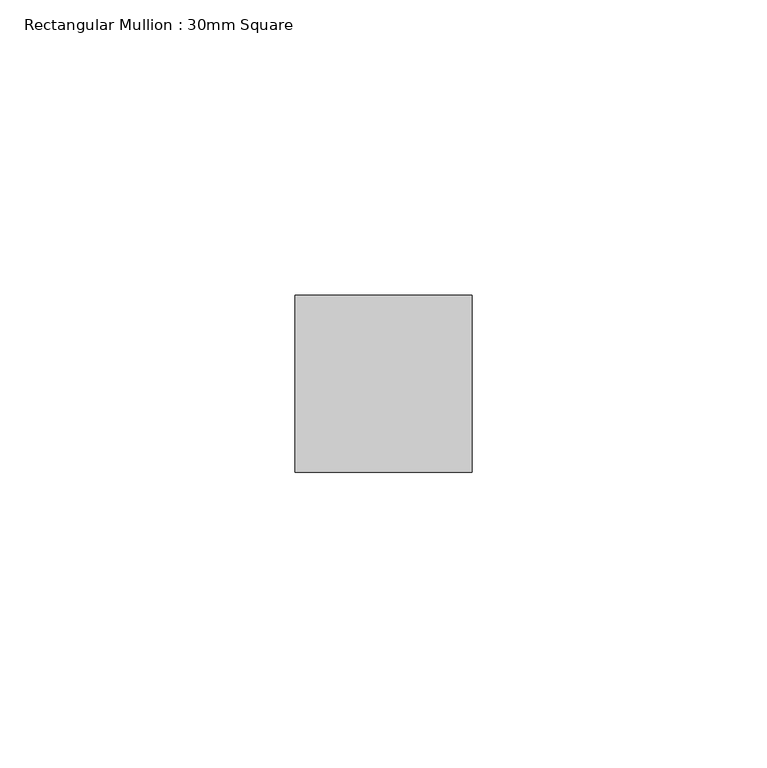
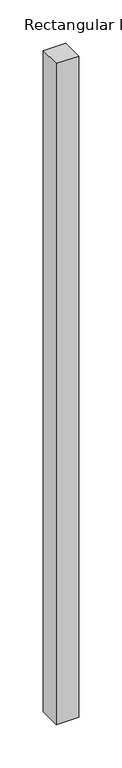
"""IFC4 building model written with IfcOpenShell, lengths in millimetres: member geometry, Rectangular Mullion : 30mm Square."""

from ifc_helpers import new_model, si_unit, frame, origin, place, context, project, spatial, polyline, outline, extrude, source, transform, mapped, element, save


def rectangular_mullion_30mm_square_be86278e(model_context):
    return source(origin(), model_context, "Body", "SweptSolid", [
        extrude(outline(polyline([(0.0, 15.0), (0.0, -15.0), (-30.0, -15.0), (-30.0, 15.0), (0.0, 15.0)])), frame((0.0, 0.0, -935.6169642), z_axis=(0.0, 0.0, 1.0), x_axis=(1.0, 0.0, 0.0)), (0.0, 0.0, 1.0), 935.6169642),
    ])


if __name__ == "__main__":
    model = new_model("IFC4")
    model_context = context("Model", 3, world=origin())
    ifc_project = project(units=[si_unit("LENGTHUNIT", "METRE", prefix="MILLI")], contexts=[model_context])
    site = spatial("IfcSite", under=ifc_project)
    building = spatial("IfcBuilding", under=site)
    placement = place(None, origin())
    rectangular_mullion_30mm_square_shape = rectangular_mullion_30mm_square_be86278e(model_context)
    element("IfcMember", 1, ObjectType="Rectangular Mullion : 30mm Square", at=placement, inside=building, context=model_context, shape_type="MappedRepresentation", body=[
        mapped(rectangular_mullion_30mm_square_shape, transform((0.0, 0.0, 0.0), x_axis=(1.0, 0.0, 0.0), y_axis=(0.0, 1.0, 0.0), z_axis=(0.0, 0.0, 1.0))),
    ])
    save(model, "model.ifc")
